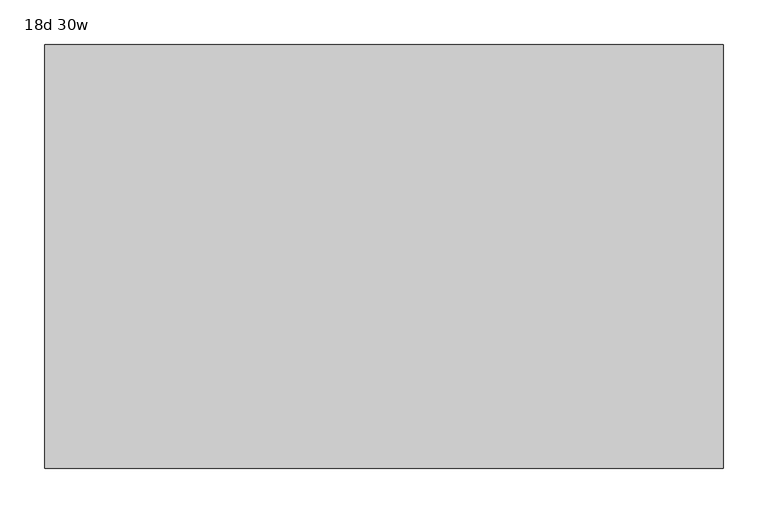
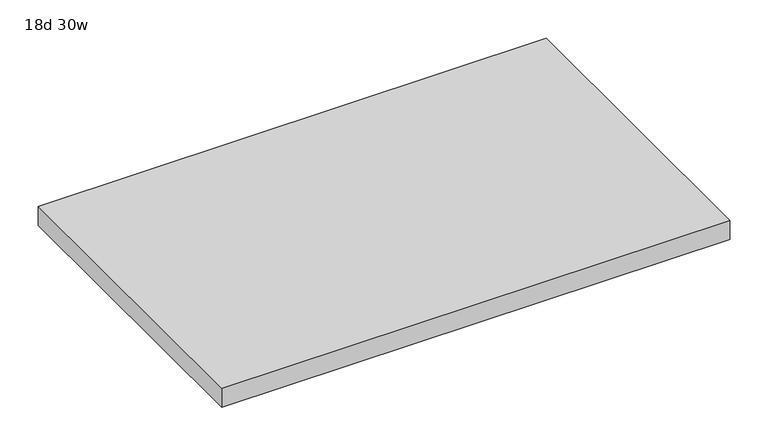
"""IFC4 building model written with IfcOpenShell, lengths in millimetres: furniture geometry, 18d 30w."""

from ifc_helpers import new_model, si_unit, frame, origin, place, context, project, spatial, polyline, outline, extrude, source, transform, mapped, element, save


def furniture_18d_30w_4a30c978(model_context):
    return source(origin(), model_context, "Body", "SweptSolid", [
        extrude(outline(polyline([(381.0, 238.125), (381.0, -238.125), (-381.0, -238.125), (-381.0, 238.125), (381.0, 238.125)])), frame((0.0, 0.0, 706.4375), z_axis=(0.0, 0.0, 1.0), x_axis=(1.0, 0.0, 0.0)), (0.0, 0.0, 1.0), 30.1625),
    ])


if __name__ == "__main__":
    model = new_model("IFC4")
    model_context = context("Model", 3, world=origin())
    ifc_project = project(units=[si_unit("LENGTHUNIT", "METRE", prefix="MILLI")], contexts=[model_context])
    site = spatial("IfcSite", under=ifc_project)
    building = spatial("IfcBuilding", under=site)
    placement = place(None, origin())
    furniture_18d_30w_shape = furniture_18d_30w_4a30c978(model_context)
    element("IfcFurniture", 1, ObjectType="18d 30w", at=placement, inside=building, context=model_context, shape_type="MappedRepresentation", body=[
        mapped(furniture_18d_30w_shape, transform((0.0, 0.0, 0.0), x_axis=(1.0, 0.0, 0.0), y_axis=(0.0, 1.0, 0.0), z_axis=(0.0, 0.0, 1.0))),
    ])
    save(model, "model.ifc")
